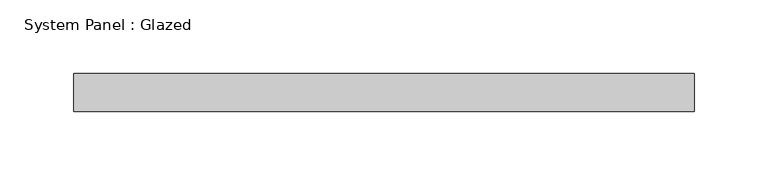
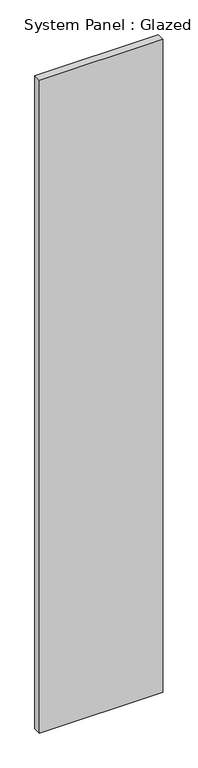
"""IFC4 building model written with IfcOpenShell, lengths in millimetres: plate geometry, System Panel : Glazed."""

from ifc_helpers import new_model, si_unit, origin, origin_with_axes, place, context, project, spatial, polyline, outline, extrude, source, transform, mapped, element, save


def system_panel_glazed_b05c8490(model_context):
    return source(origin(), model_context, "Body", "SweptSolid", [
        extrude(outline(polyline([(209.55, -44.45), (-209.55, -44.45), (-209.55, -19.05), (209.55, -19.05), (209.55, -44.45)])), origin_with_axes(), (0.0, 0.0, 1.0), 2343.15),
    ])


if __name__ == "__main__":
    model = new_model("IFC4")
    model_context = context("Model", 3, world=origin())
    ifc_project = project(units=[si_unit("LENGTHUNIT", "METRE", prefix="MILLI")], contexts=[model_context])
    site = spatial("IfcSite", under=ifc_project)
    building = spatial("IfcBuilding", under=site)
    placement = place(None, origin())
    system_panel_glazed_shape = system_panel_glazed_b05c8490(model_context)
    element("IfcPlate", 1, ObjectType="System Panel : Glazed", at=placement, inside=building, context=model_context, shape_type="MappedRepresentation", body=[
        mapped(system_panel_glazed_shape, transform((0.0, 0.0, 0.0), x_axis=(1.0, 0.0, 0.0), y_axis=(0.0, 1.0, 0.0), z_axis=(0.0, 0.0, 1.0))),
    ])
    save(model, "model.ifc")
